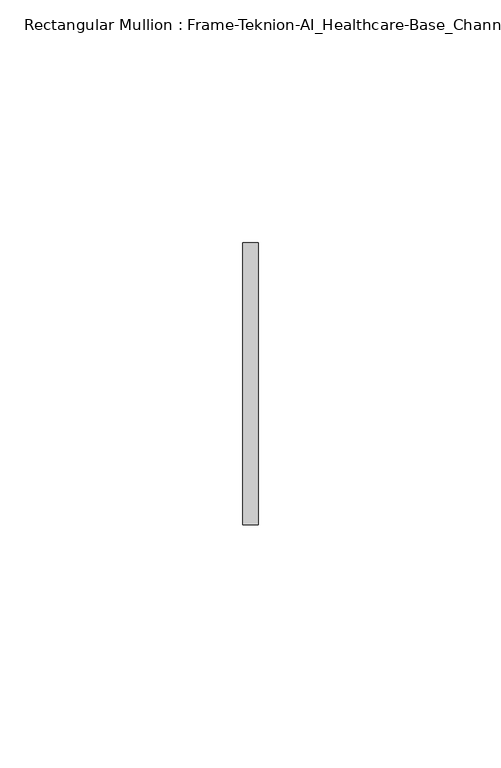
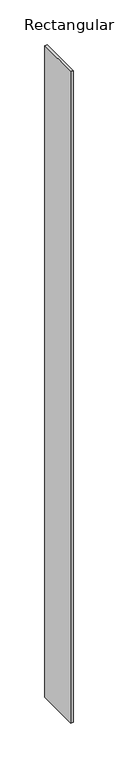
"""IFC4 building model written with IfcOpenShell, lengths in millimetres: member geometry, Rectangular Mullion : Frame-Teknion-AI_Healthcare-Base_Channel."""

from ifc_helpers import new_model, si_unit, frame, origin, place, context, project, spatial, polyline, outline, extrude, source, transform, mapped, element, save


def rectangular_mullion_frame_teknion_ai_healthcare_base_channel_6979b24d(model_context):
    return source(origin(), model_context, "Body", "SweptSolid", [
        extrude(outline(polyline([(0.0, 29.0214844), (0.0, -29.0214844), (-3.175, -29.0214844), (-3.175, 29.0214844), (0.0, 29.0214844)])), frame((0.0, 0.0, -889.0), z_axis=(0.0, 0.0, 1.0), x_axis=(1.0, 0.0, 0.0)), (0.0, 0.0, 1.0), 889.0),
    ])


if __name__ == "__main__":
    model = new_model("IFC4")
    model_context = context("Model", 3, world=origin())
    ifc_project = project(units=[si_unit("LENGTHUNIT", "METRE", prefix="MILLI")], contexts=[model_context])
    site = spatial("IfcSite", under=ifc_project)
    building = spatial("IfcBuilding", under=site)
    placement = place(None, origin())
    rectangular_mullion_frame_teknion_ai_healthcare_base_channel_shape = rectangular_mullion_frame_teknion_ai_healthcare_base_channel_6979b24d(model_context)
    element("IfcMember", 1, ObjectType="Rectangular Mullion : Frame-Teknion-AI_Healthcare-Base_Channel", at=placement, inside=building, context=model_context, shape_type="MappedRepresentation", body=[
        mapped(rectangular_mullion_frame_teknion_ai_healthcare_base_channel_shape, transform((0.0, 0.0, 0.0), x_axis=(1.0, 0.0, 0.0), y_axis=(0.0, 1.0, 0.0), z_axis=(0.0, 0.0, 1.0))),
    ])
    save(model, "model.ifc")
